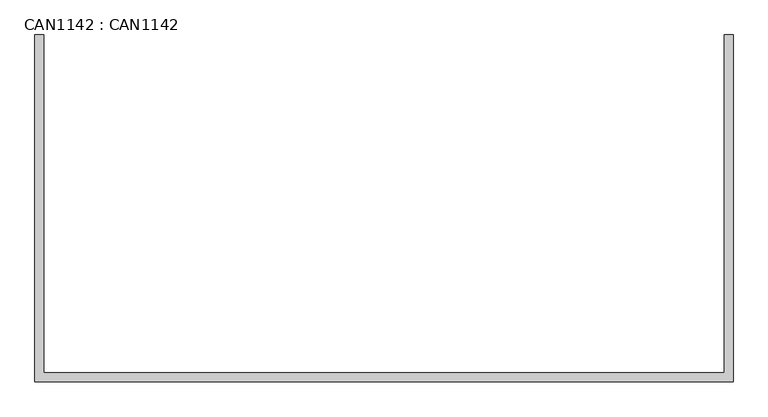
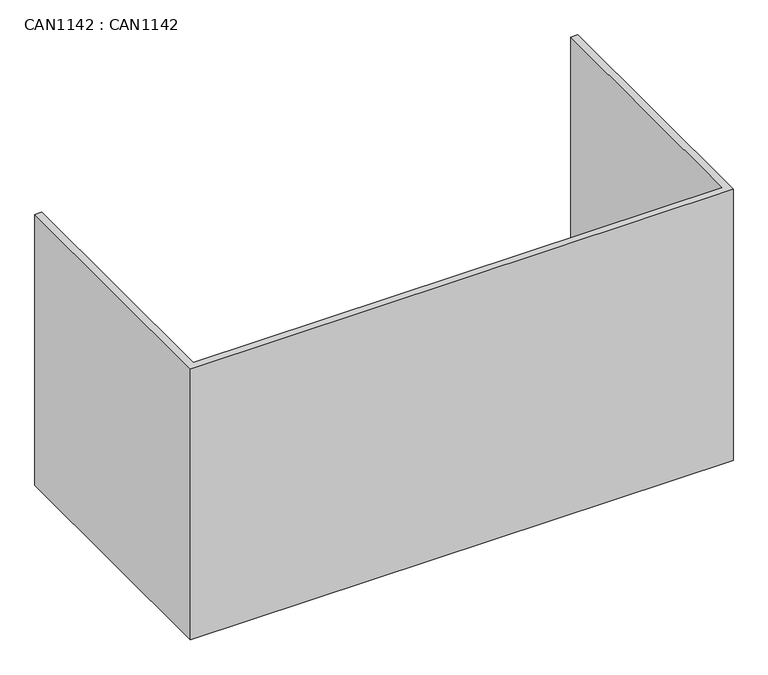
"""IFC4 building model written with IfcOpenShell, lengths in millimetres: proxy geometry, CAN1142 : CAN1142."""

import ifcopenshell
import ifcopenshell.guid

model = None  # the IFC model being written
_history = None  # IfcOwnerHistory: only IFC2X3 demands one
_inside = {}  # id of a spatial element -> (the spatial element, [elements in it])
_under = {}  # id of a project, library or spatial element -> (it, [spatial elements below it])
_declared = {}  # id of a project -> (the project, [libraries it declares])
_typed = {}  # id of a type object -> (the type object, [elements of that type])
_made_of = {}  # id of a material, layer set ... -> (it, [elements and type objects made of it])


def new_model(schema):
    """Start an empty IFC model of exactly this schema.

    Asked for "IFC4X3", IfcOpenShell would pick the latest addendum, in which some entities
    have other attributes; the version numbers below select the first issue.
    IFC2X3 requires an IfcOwnerHistory on every rooted entity: one is made here for all.
    """
    global model, _history
    if schema == "IFC4X3":
        model = ifcopenshell.file(schema_version=(4, 3, 0, 0))
    else:
        model = ifcopenshell.file(schema=schema)
    _inside.clear()
    _under.clear()
    _declared.clear()
    _typed.clear()
    _made_of.clear()
    _history = None
    if model.schema == "IFC2X3":
        org = make("IfcOrganization", Name="unknown")
        user = make(
            "IfcPersonAndOrganization",
            ThePerson=make("IfcPerson", FamilyName="unknown"),
            TheOrganization=org,
        )
        app = make(
            "IfcApplication",
            ApplicationDeveloper=org,
            Version="unknown",
            ApplicationFullName="unknown",
            ApplicationIdentifier="unknown",
        )
        _history = make(
            "IfcOwnerHistory",
            OwningUser=user,
            OwningApplication=app,
            ChangeAction="ADDED",
            CreationDate=0,
        )
    return model


def make(cls, **values):
    """One entity of the class cls with the attributes given. An attribute that is None is left unset."""
    return model.create_entity(
        cls, **{name: value for name, value in values.items() if value is not None}
    )


def rooted(cls, **values):
    """An entity with a GlobalId (a new one), such as an element, a storey or a relation."""
    return make(cls, GlobalId=ifcopenshell.guid.new(), OwnerHistory=_history, **values)


def si_unit(unit_type, name, prefix=None):
    """IfcSIUnit, for example si_unit("LENGTHUNIT", "METRE", prefix="MILLI")."""
    return make("IfcSIUnit", UnitType=unit_type, Prefix=prefix, Name=name)


def assignment(units):
    """IfcUnitAssignment: the units of a project."""
    return None if units is None else make("IfcUnitAssignment", Units=units)


def point(xyz):
    """IfcCartesianPoint."""
    return None if xyz is None else make("IfcCartesianPoint", Coordinates=xyz)


def direction(xyz):
    """IfcDirection."""
    return None if xyz is None else make("IfcDirection", DirectionRatios=xyz)


def frame(location, z_axis=None, x_axis=None):
    """IfcAxis2Placement3D, a coordinate frame: its origin and axes. An axis left out is left unset."""
    return make(
        "IfcAxis2Placement3D",
        Location=point(location),
        Axis=direction(z_axis),
        RefDirection=direction(x_axis),
    )


def origin():
    """The frame at (0, 0, 0) with its axes left unset."""
    return frame((0.0, 0.0, 0.0))


def origin_with_axes():
    """The frame at (0, 0, 0) with the z axis (0, 0, 1) and the x axis (1, 0, 0) written out."""
    return frame((0.0, 0.0, 0.0), z_axis=(0.0, 0.0, 1.0), x_axis=(1.0, 0.0, 0.0))


def place(relative_to, where):
    """IfcLocalPlacement: puts the frame where relative to a parent placement (None: the world)."""
    return make(
        "IfcLocalPlacement", PlacementRelTo=relative_to, RelativePlacement=where
    )


def context(
    kind, dimensions, precision=None, world=None, true_north=None, identifier=None
):
    """IfcGeometricRepresentationContext, for example the 3D "Model" context."""
    return make(
        "IfcGeometricRepresentationContext",
        ContextIdentifier=identifier,
        ContextType=kind,
        CoordinateSpaceDimension=dimensions,
        Precision=precision,
        WorldCoordinateSystem=world,
        TrueNorth=true_north,
    )


def project(units=None, contexts=None):
    """IfcProject with its units and contexts."""
    return rooted(
        "IfcProject",
        Name="project",
        RepresentationContexts=contexts,
        UnitsInContext=assignment(units),
    )


def spatial(cls, under=None, at=None, **own):
    """A site, building, storey or space (cls), placed at a placement, below another one or the project."""
    s = rooted(cls, ObjectPlacement=at, **own)
    if under is not None:
        _under.setdefault(under.id(), (under, []))[1].append(s)
    return s


def polyline(points):
    """IfcPolyline through the points."""
    return make("IfcPolyline", Points=[point(p) for p in points])


def outline(outer, holes=None, kind="AREA"):
    """IfcArbitraryClosedProfileDef: a profile drawn as a closed curve; with holes, ...WithVoids."""
    if holes is None:
        return make("IfcArbitraryClosedProfileDef", ProfileType=kind, OuterCurve=outer)
    return make(
        "IfcArbitraryProfileDefWithVoids",
        ProfileType=kind,
        OuterCurve=outer,
        InnerCurves=holes,
    )


def extrude(swept, where, along, depth):
    """IfcExtrudedAreaSolid: the profile swept, set in the frame where, extruded along a direction by depth."""
    return make(
        "IfcExtrudedAreaSolid",
        SweptArea=swept,
        Position=where,
        ExtrudedDirection=direction(along),
        Depth=depth,
    )


def shape(context_of_items, identifier, shape_type, items):
    """IfcShapeRepresentation: the items that make up one representation, for example the "Body"."""
    return make(
        "IfcShapeRepresentation",
        ContextOfItems=context_of_items,
        RepresentationIdentifier=identifier,
        RepresentationType=shape_type,
        Items=items,
    )


def source(mapping_origin, context_of_items, identifier, shape_type, items):
    """IfcRepresentationMap: a shape defined once, which mapped items show again and again."""
    return make(
        "IfcRepresentationMap",
        MappingOrigin=mapping_origin,
        MappedRepresentation=shape(context_of_items, identifier, shape_type, items),
    )


def transform(
    local_origin,
    x_axis=None,
    y_axis=None,
    z_axis=None,
    scale=None,
    scale2=None,
    scale3=None,
    uniform=True,
):
    """IfcCartesianTransformationOperator3D, or its non-uniform kind. x_axis, y_axis, z_axis: its Axis1, 2, 3."""
    if uniform:
        return make(
            "IfcCartesianTransformationOperator3D",
            Axis1=direction(x_axis),
            Axis2=direction(y_axis),
            LocalOrigin=point(local_origin),
            Scale=scale,
            Axis3=direction(z_axis),
        )
    return make(
        "IfcCartesianTransformationOperator3DnonUniform",
        Axis1=direction(x_axis),
        Axis2=direction(y_axis),
        LocalOrigin=point(local_origin),
        Scale=scale,
        Axis3=direction(z_axis),
        Scale2=scale2,
        Scale3=scale3,
    )


def mapped(mapping_source, mapping_target):
    """IfcMappedItem: shows the shape of a source again, moved by a transform."""
    return make(
        "IfcMappedItem", MappingSource=mapping_source, MappingTarget=mapping_target
    )


def made_of(thing, what):
    """Note that an element or type object is made of a material, layer set ...; save() writes the relation."""
    if what is not None:
        _made_of.setdefault(what.id(), (what, []))[1].append(thing)
    return thing


def element(
    cls,
    number,
    at=None,
    inside=None,
    cuts=None,
    type_object=None,
    material=None,
    context=None,
    identifier="Body",
    shape_type=None,
    held_by="IfcProductDefinitionShape",
    body=None,
    shapes=None,
    **own,
):
    """One element of the class cls, such as IfcWall. Its Tag is "e" and its number.

    at: its placement. inside: the storey or other place that contains it. cuts: it is an
    opening in that element (IfcRelVoidsElement). A single representation is given by context,
    identifier, shape_type and body (its items); several are given by shapes. held_by: the class
    of the entity that holds the representations. save() writes the other relations.
    """
    e = rooted(cls, Tag="e%d" % number, ObjectPlacement=at, **own)
    if body is not None:
        shapes = [shape(context, identifier, shape_type, body)]
    if shapes is not None:
        e.Representation = make(held_by, Representations=shapes)
    if inside is not None:
        _inside.setdefault(inside.id(), (inside, []))[1].append(e)
    if cuts is not None:
        rooted(
            "IfcRelVoidsElement", RelatingBuildingElement=cuts, RelatedOpeningElement=e
        )
    if type_object is not None:
        _typed.setdefault(type_object.id(), (type_object, []))[1].append(e)
    return made_of(e, material)


def aggregate(whole, parts):
    """IfcRelAggregates: a whole, such as a stair, and the parts it consists of."""
    return rooted("IfcRelAggregates", RelatingObject=whole, RelatedObjects=parts)


def save(model, path):
    """Write the relations noted so far, then the file.

    IfcRelAggregates (storeys below a building ...), IfcRelContainedInSpatialStructure (elements
    in a storey), IfcRelDefinesByType, IfcRelAssociatesMaterial and IfcRelDeclares: one each for
    every whole, place, type object, material and project.
    """
    for whole, parts in _under.values():
        aggregate(whole, parts)
    for where, things in _inside.values():
        rooted(
            "IfcRelContainedInSpatialStructure",
            RelatedElements=things,
            RelatingStructure=where,
        )
    for kind, things in _typed.values():
        rooted("IfcRelDefinesByType", RelatedObjects=things, RelatingType=kind)
    for what, things in _made_of.values():
        rooted("IfcRelAssociatesMaterial", RelatedObjects=things, RelatingMaterial=what)
    for by, libraries in _declared.values():
        rooted("IfcRelDeclares", RelatingContext=by, RelatedDefinitions=libraries)
    model.write(path)


def can1142_can1142_77870e87(model_context):
    return source(origin(), model_context, "Body", "SweptSolid", [
        extrude(outline(polyline([(9.0, 0.0), (9.0, -687.0), (1393.0, -687.0), (1393.0, 0.0), (1411.0, 0.0), (1411.0, -705.0), (-9.0, -705.0), (-9.0, 0.0), (9.0, 0.0)])), origin_with_axes(), (0.0, 0.0, 1.0), 750.0),
    ])


if __name__ == "__main__":
    model = new_model("IFC4")
    model_context = context("Model", 3, world=origin())
    ifc_project = project(units=[si_unit("LENGTHUNIT", "METRE", prefix="MILLI")], contexts=[model_context])
    site = spatial("IfcSite", under=ifc_project)
    building = spatial("IfcBuilding", under=site)
    placement = place(None, origin())
    can1142_can1142_shape = can1142_can1142_77870e87(model_context)
    element("IfcBuildingElementProxy", 1, Name="CAN1142 : CAN1142", ObjectType="CAN1142 : CAN1142", at=placement, inside=building, context=model_context, shape_type="MappedRepresentation", body=[
        mapped(can1142_can1142_shape, transform((0.0, 0.0, 0.0), x_axis=(1.0, 0.0, 0.0), y_axis=(0.0, 1.0, 0.0), z_axis=(0.0, 0.0, 1.0))),
    ])
    save(model, "model.ifc")
